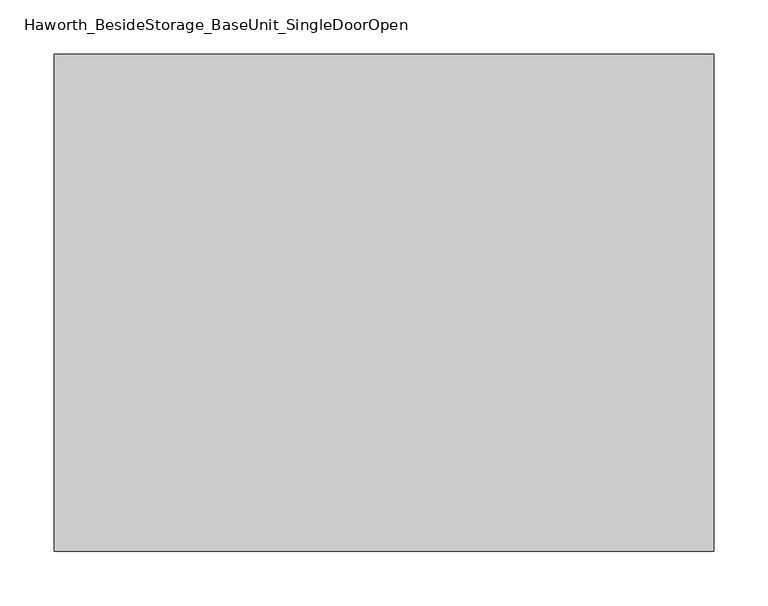
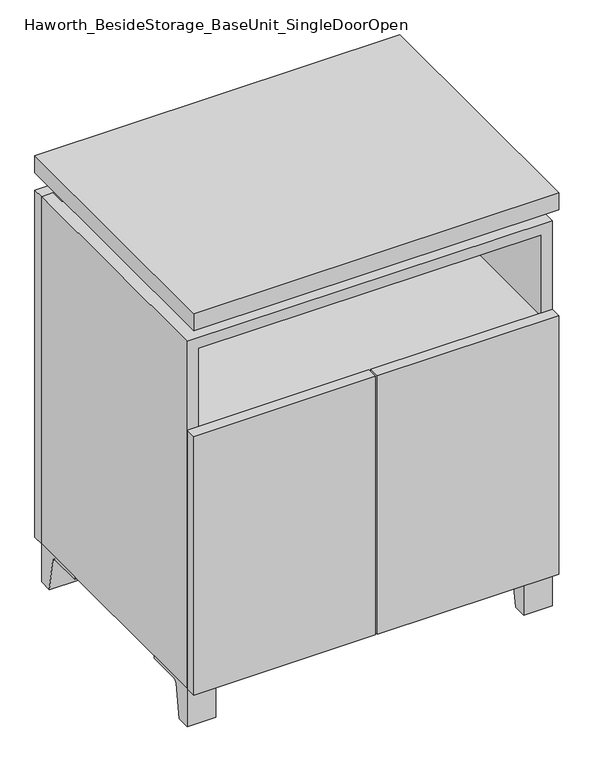
"""IFC4 building model written with IfcOpenShell, lengths in millimetres: furniture geometry, Haworth_BesideStorage_BaseUnit_SingleDoorOpen."""

from ifc_helpers import new_model, si_unit, point, frame, frame_2d, origin, place, context, project, spatial, polyline, circle_curve, trimmed, segment, composite_curve, outline, extrude, faceted_brep, source, transform, mapped, element, save


def haworth_besidestorage_baseunit_singledooropen_2d8f45b5(model_context):
    return source(origin(), model_context, "Body", "SolidModel", [
        extrude(outline(composite_curve([segment(polyline([(-123.2958469, 0.0), (-146.05, 0.0), (-146.05, 66.675), (-50.8, 66.675), (-50.8, 61.8963321), (-107.6005345, 61.8963321)]), True, "CONTINUOUS"), segment(trimmed(circle_curve(frame_2d((-107.6005345, 55.5463321)), 6.35), [point((-107.6005345, 61.8963321))], [point((-113.8641359, 56.5902656))], True, "CARTESIAN"), True, "CONTINUOUS"), segment(polyline([(-113.8641359, 56.5902656), (-123.2958469, 0.0)]), True, "CONTINUOUS")], self_intersect=False)), frame((255.6013906, 0.0, 0.0), z_axis=(1.0, 0.0, 0.0), x_axis=(0.0, 1.0, 0.0)), (0.0, 0.0, 1.0), 47.625),
        extrude(outline(composite_curve([segment(polyline([(250.2958469, 0.0), (240.8641359, 56.5902656)]), True, "CONTINUOUS"), segment(trimmed(circle_curve(frame_2d((234.6005345, 55.5463321)), 6.35), [point((240.8641359, 56.5902656))], [point((234.6005345, 61.8963321))], True, "CARTESIAN"), True, "CONTINUOUS"), segment(polyline([(234.6005345, 61.8963321), (177.8, 61.8963321), (177.8, 66.675), (273.05, 66.675), (273.05, 0.0), (250.2958469, 0.0)]), True, "CONTINUOUS")], self_intersect=False)), frame((255.6013906, 0.0, 0.0), z_axis=(1.0, 0.0, 0.0), x_axis=(0.0, 1.0, 0.0)), (0.0, 0.0, 1.0), 47.625),
        extrude(outline(composite_curve([segment(polyline([(-123.2958469, 0.0), (-146.05, 0.0), (-146.05, 66.675), (-50.8, 66.675), (-50.8, 61.8963321), (-107.6005345, 61.8963321)]), True, "CONTINUOUS"), segment(trimmed(circle_curve(frame_2d((-107.6005345, 55.5463321)), 6.35), [point((-107.6005345, 61.8963321))], [point((-113.8641359, 56.5902656))], True, "CARTESIAN"), True, "CONTINUOUS"), segment(polyline([(-113.8641359, 56.5902656), (-123.2958469, 0.0)]), True, "CONTINUOUS")], self_intersect=False)), frame((-303.1986094, 0.0, 0.0), z_axis=(1.0, 0.0, 0.0), x_axis=(0.0, 1.0, 0.0)), (0.0, 0.0, 1.0), 47.625),
        extrude(outline(composite_curve([segment(polyline([(250.2958469, 0.0), (240.8641359, 56.5902656)]), True, "CONTINUOUS"), segment(trimmed(circle_curve(frame_2d((234.6005345, 55.5463321)), 6.35), [point((240.8641359, 56.5902656))], [point((234.6005345, 61.8963321))], True, "CARTESIAN"), True, "CONTINUOUS"), segment(polyline([(234.6005345, 61.8963321), (177.8, 61.8963321), (177.8, 66.675), (273.05, 66.675), (273.05, 0.0), (250.2958469, 0.0)]), True, "CONTINUOUS")], self_intersect=False)), frame((-303.1986094, 0.0, 0.0), z_axis=(1.0, 0.0, 0.0), x_axis=(0.0, 1.0, 0.0)), (0.0, 0.0, 1.0), 47.625),
        faceted_brep([(-303.1986094, -146.05, 66.675), (303.2125, -146.05, 66.675), (303.2125, -146.05, 676.275), (-303.1986094, -146.05, 676.275), (-284.1486094, -146.05, 85.725), (-284.1486094, -146.05, 657.225), (284.1694453, -146.05, 657.225), (284.1486094, -146.05, 85.725), (-303.1986094, 273.05, 66.675), (-303.1986094, 273.05, 676.275), (-284.1486094, 273.05, 676.275), (-284.1486094, 273.05, 85.725), (284.1486094, 273.05, 85.725), (284.1486094, 273.05, 676.275), (303.2125, 273.05, 676.275), (303.2125, 273.05, 66.675), (284.1486094, 247.65, 676.275), (-284.1416641, 247.65, 676.275), (-284.1486094, 247.65, 657.225), (284.1486094, 247.65, 657.225)], [[[0, 1, 2, 3], [4, 5, 6, 7]], [[8, 9, 10, 11, 12, 13, 14, 15]], [[1, 0, 8, 15]], [[2, 1, 15, 14]], [[3, 2, 14, 13, 16, 17, 10, 9]], [[0, 3, 9, 8]], [[11, 10, 17, 18, 5, 4]], [[13, 12, 7, 6, 19, 16]], [[4, 7, 12, 11]], [[6, 5, 18, 19]], [[17, 16, 19, 18]]]),
        extrude(outline(polyline([(303.2263906, -165.1), (-303.1986094, -165.1), (-303.1986094, 292.1), (303.2263906, 292.1), (303.2263906, -165.1)])), frame((0.0, 0.0, 706.4375), z_axis=(0.0, 0.0, 1.0), x_axis=(1.0, 0.0, 0.0)), (0.0, 0.0, 1.0), 30.1625),
        faceted_brep([(7.9513906, -69.85, 706.4375), (7.9513906, -69.85, 676.275), (7.9513906, 53.975, 676.275), (7.9513906, 53.975, 706.4375), (7.9513906, 196.85, 676.275), (7.9513906, 196.85, 706.4375), (7.9513906, 73.025, 706.4375), (7.9513906, 73.025, 676.275), (-7.9236094, 196.85, 706.4375), (-7.9236094, 196.85, 676.275), (-7.9236094, 73.025, 676.275), (-7.9236094, 73.025, 706.4375), (-7.9236094, -69.85, 676.275), (-7.9236094, -69.85, 706.4375), (-7.9236094, 53.975, 706.4375), (-7.9236094, 53.975, 676.275), (-261.8958281, 73.025, 706.4375), (-261.9166641, 247.65, 706.4375), (-277.7916641, 247.65, 706.4375), (-277.7916641, -120.65, 706.4375), (-261.9166641, -120.65, 706.4375), (-261.9166641, 53.975, 706.4375), (261.9236094, 53.975, 706.4375), (261.9236094, -120.65, 706.4375), (277.7986094, -120.65, 706.4375), (277.7986094, 247.65, 706.4375), (261.9236094, 247.65, 706.4375), (261.9236094, 73.025, 706.4375), (-261.8958281, 53.975, 676.275), (-261.9166641, -120.65, 676.275), (-277.7916641, -120.65, 676.275), (-277.7916641, 247.65, 676.275), (-261.9166641, 247.65, 676.275), (-261.9166641, 73.025, 676.275), (261.9236094, 73.025, 676.275), (261.9236094, 247.65, 676.275), (277.7986094, 247.65, 676.275), (277.7986094, -120.65, 676.275), (261.9236094, -120.65, 676.275), (261.9236094, 53.975, 676.275)], [[[0, 1, 2, 3]], [[4, 5, 6, 7]], [[8, 9, 10, 11]], [[12, 13, 14, 15]], [[5, 8, 11, 16, 17, 18, 19, 20, 21, 14, 13, 0, 3, 22, 23, 24, 25, 26, 27, 6]], [[1, 12, 15, 28, 29, 30, 31, 32, 33, 10, 9, 4, 7, 34, 35, 36, 37, 38, 39, 2]], [[5, 4, 9, 8]], [[1, 0, 13, 12]], [[6, 27, 34, 7]], [[22, 3, 2, 39]], [[20, 29, 28, 21]], [[32, 17, 16, 33]], [[18, 31, 30, 19]], [[29, 20, 19, 30]], [[17, 32, 31, 18]], [[26, 35, 34, 27]], [[38, 23, 22, 39]], [[25, 24, 37, 36]], [[23, 38, 37, 24]], [[35, 26, 25, 36]], [[16, 11, 10, 33]], [[14, 21, 28, 15]]]),
        extrude(outline(polyline([(303.2263906, 273.05), (-303.1986094, 273.05), (-303.1986094, 292.1), (303.2263906, 292.1), (303.2263906, 273.05)])), frame((0.0, 0.0, 66.675), z_axis=(0.0, 0.0, 1.0), x_axis=(1.0, 0.0, 0.0)), (0.0, 0.0, 1.0), 609.6),
        extrude(outline(polyline([(-284.1416641, 203.2), (-284.1416641, 209.55), (284.1694453, 209.55), (284.1694453, 203.2), (-284.1416641, 203.2)])), frame((0.0, 0.0, 85.725), z_axis=(0.0, 0.0, 1.0), x_axis=(1.0, 0.0, 0.0)), (0.0, 0.0, 1.0), 571.5),
        extrude(outline(polyline([(1.6013906, -165.1), (1.6013906, -146.05), (303.2263906, -146.05), (303.2263906, -165.1), (1.6013906, -165.1)])), frame((0.0, 0.0, 66.675), z_axis=(0.0, 0.0, 1.0), x_axis=(1.0, 0.0, 0.0)), (0.0, 0.0, 1.0), 454.025),
        extrude(outline(polyline([(-1.5736094, -165.1), (-303.1986094, -165.1), (-303.1986094, -146.05), (-1.5736094, -146.05), (-1.5736094, -165.1)])), frame((0.0, 0.0, 66.675), z_axis=(0.0, 0.0, 1.0), x_axis=(1.0, 0.0, 0.0)), (0.0, 0.0, 1.0), 454.025),
        extrude(outline(polyline([(284.1486094, 203.2), (284.1486094, -146.05), (-284.1486094, -146.05), (-284.1486094, 203.2), (284.1486094, 203.2)])), frame((0.0, 0.0, 496.8875), z_axis=(0.0, 0.0, 1.0), x_axis=(1.0, 0.0, 0.0)), (0.0, 0.0, 1.0), 19.05),
    ])


if __name__ == "__main__":
    model = new_model("IFC4")
    model_context = context("Model", 3, world=origin())
    ifc_project = project(units=[si_unit("LENGTHUNIT", "METRE", prefix="MILLI")], contexts=[model_context])
    site = spatial("IfcSite", under=ifc_project)
    building = spatial("IfcBuilding", under=site)
    placement = place(None, origin())
    haworth_besidestorage_baseunit_singledooropen_shape = haworth_besidestorage_baseunit_singledooropen_2d8f45b5(model_context)
    element("IfcFurniture", 1, ObjectType="Haworth_BesideStorage_BaseUnit_SingleDoorOpen", at=placement, inside=building, context=model_context, shape_type="MappedRepresentation", body=[
        mapped(haworth_besidestorage_baseunit_singledooropen_shape, transform((0.0, 0.0, 0.0), x_axis=(1.0, 0.0, 0.0), y_axis=(0.0, 1.0, 0.0), z_axis=(0.0, 0.0, 1.0))),
    ])
    save(model, "model.ifc")
